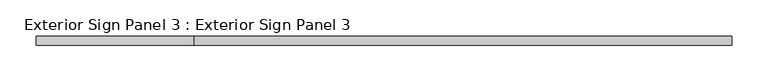
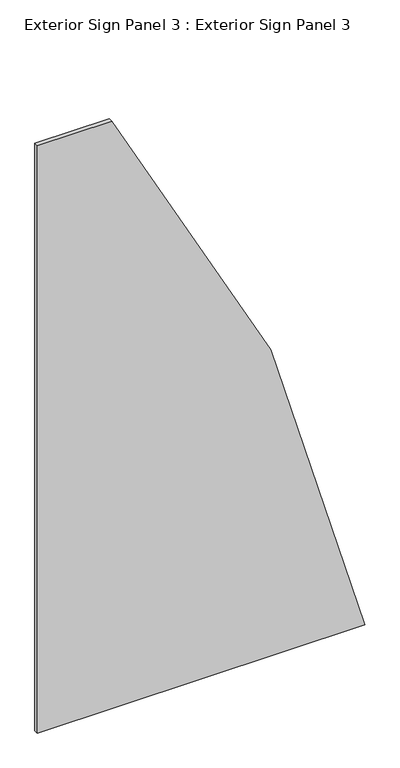
"""IFC4 building model written with IfcOpenShell, lengths in millimetres: proxy geometry, Exterior Sign Panel 3 : Exterior Sign Panel 3."""

from ifc_helpers import new_model, si_unit, point, frame, frame_2d, origin, place, context, project, spatial, polyline, circle_curve, trimmed, segment, composite_curve, outline, extrude, source, transform, mapped, element, save


def exterior_sign_panel_3_exterior_sign_panel_3_a1d6939d(model_context):
    return source(origin(), model_context, "Body", "SweptSolid", [
        extrude(outline(composite_curve([segment(polyline([(4410.9592564, 229372.6846812), (4410.9592564, 229153.2228488), (2582.1592564, 229153.2228488), (2582.1592564, 230117.2304164)]), True, "CONTINUOUS"), segment(trimmed(circle_curve(frame_2d((1721.9640535, 225386.0853488)), 4808.7076682), [point((2582.1592564, 230117.2304164))], [point((4410.9592564, 229372.6846812))], False, "CARTESIAN"), True, "CONTINUOUS")], self_intersect=False)), frame((0.0, 157576.0096581, 0.0), z_axis=(0.0, 1.0, 0.0), x_axis=(0.0, 0.0, 1.0)), (0.0, 0.0, 1.0), 12.7),
    ])


if __name__ == "__main__":
    model = new_model("IFC4")
    model_context = context("Model", 3, world=origin())
    ifc_project = project(units=[si_unit("LENGTHUNIT", "METRE", prefix="MILLI")], contexts=[model_context])
    site = spatial("IfcSite", under=ifc_project)
    building = spatial("IfcBuilding", under=site)
    placement = place(None, origin())
    exterior_sign_panel_3_exterior_sign_panel_3_shape = exterior_sign_panel_3_exterior_sign_panel_3_a1d6939d(model_context)
    element("IfcBuildingElementProxy", 1, Name="Exterior Sign Panel 3 : Exterior Sign Panel 3", ObjectType="Exterior Sign Panel 3 : Exterior Sign Panel 3", at=placement, inside=building, context=model_context, shape_type="MappedRepresentation", body=[
        mapped(exterior_sign_panel_3_exterior_sign_panel_3_shape, transform((0.0, 0.0, 0.0), x_axis=(1.0, 0.0, 0.0), y_axis=(0.0, 1.0, 0.0), z_axis=(0.0, 0.0, 1.0))),
    ])
    save(model, "model.ifc")
